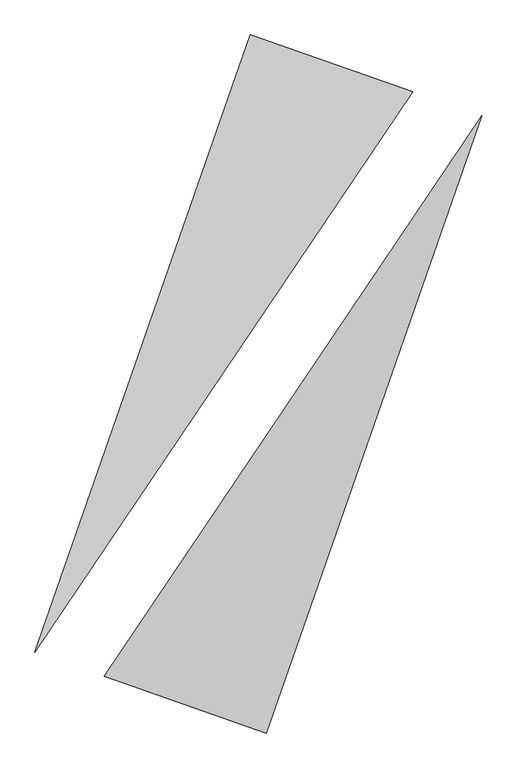
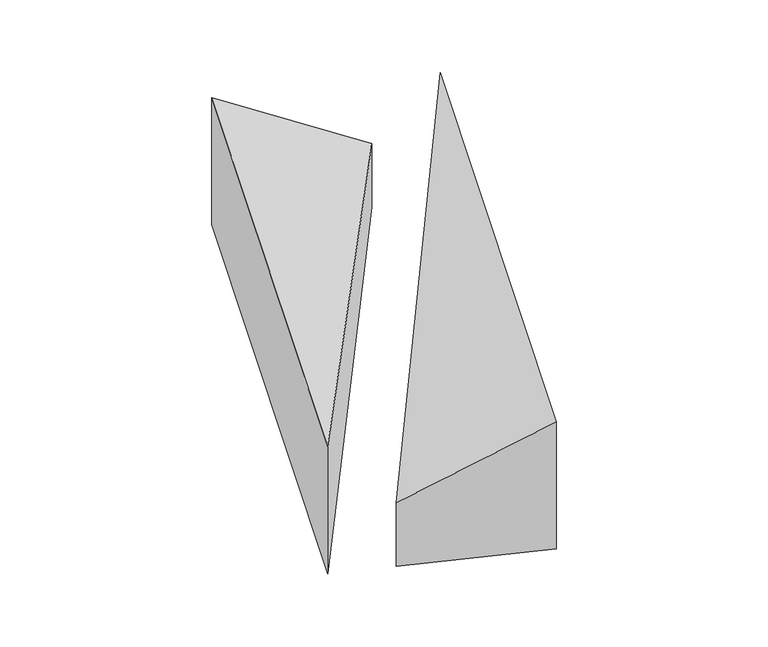
"""IFC4 building model written with IfcOpenShell, lengths in millimetres: proxy geometry."""

from ifc_helpers import new_model, si_unit, origin, place, context, project, spatial, faceted_brep, source, transform, mapped, element, save


def generic_models_fd2f2be0(model_context):
    return source(origin(), model_context, "Body", "Brep", [
        faceted_brep([(942.5931902, 1789.2786473, 0.0), (-48.7031458, 2135.4456218, 0.0), (-48.7031458, 2135.4456218, 1000.0), (942.5931902, 1789.2786473, 500.0), (-1367.4344771, -1640.9213725, 0.0), (-1367.4344771, -1640.9213725, 1000.0)], [[[0, 1, 2, 3]], [[1, 4, 5, 2]], [[4, 0, 3, 5]], [[3, 2, 5]], [[0, 4, 1]]]),
        faceted_brep([(48.7031458, -2135.4456218, 0.0), (1367.4344771, 1640.9213725, 0.0), (1367.4344771, 1640.9213725, 1000.0), (48.7031458, -2135.4456218, 1000.0), (-942.5931902, -1789.2786473, 0.0), (-942.5931902, -1789.2786473, 500.0)], [[[0, 1, 2, 3]], [[1, 4, 5, 2]], [[4, 0, 3, 5]], [[2, 5, 3]], [[0, 4, 1]]]),
    ])


if __name__ == "__main__":
    model = new_model("IFC4")
    model_context = context("Model", 3, world=origin())
    ifc_project = project(units=[si_unit("LENGTHUNIT", "METRE", prefix="MILLI")], contexts=[model_context])
    site = spatial("IfcSite", under=ifc_project)
    building = spatial("IfcBuilding", under=site)
    placement = place(None, origin())
    generic_models_shape = generic_models_fd2f2be0(model_context)
    element("IfcBuildingElementProxy", 1, Name="Generic Models", at=placement, inside=building, context=model_context, shape_type="MappedRepresentation", body=[
        mapped(generic_models_shape, transform((0.0, 0.0, 0.0), x_axis=(1.0, 0.0, 0.0), y_axis=(0.0, 1.0, 0.0), z_axis=(0.0, 0.0, 1.0))),
    ])
    save(model, "model.ifc")
